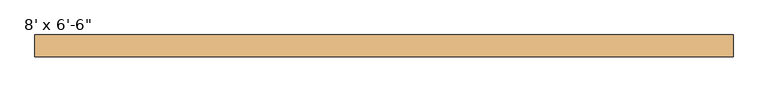
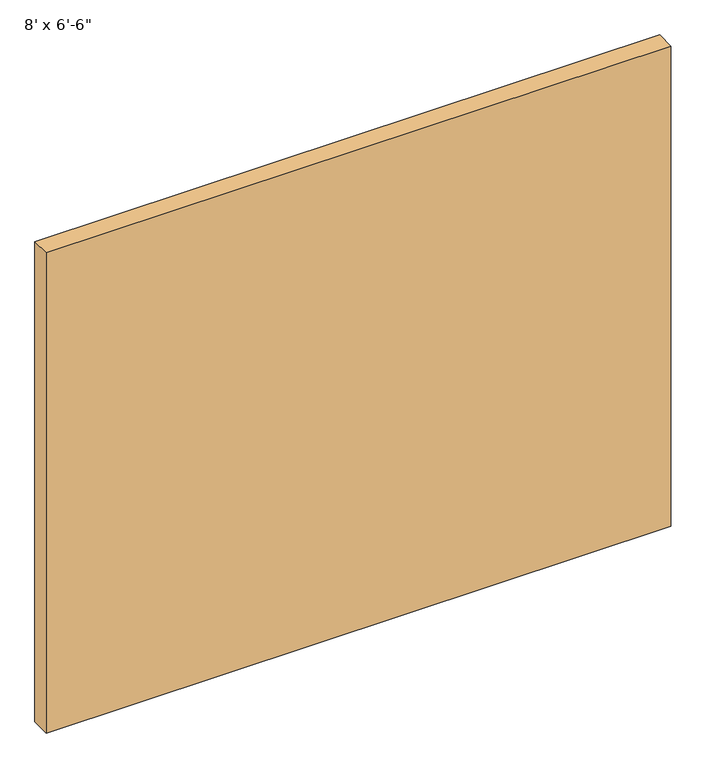
"""IFC4 building model written with IfcOpenShell, lengths in millimetres: door geometry."""

from ifc_helpers import new_model, si_unit, origin, origin_with_axes, place, context, project, spatial, polyline, outline, extrude, source, transform, mapped, element, save


def door_d27ea1db(model_context):
    return source(origin(), model_context, "Body", "SweptSolid", [
        extrude(outline(polyline([(1219.2, -104.775), (1219.2, -180.975), (-1219.2, -180.975), (-1219.2, -104.775), (1219.2, -104.775)])), origin_with_axes(), (0.0, 0.0, 1.0), 1981.2),
    ])


if __name__ == "__main__":
    model = new_model("IFC4")
    model_context = context("Model", 3, world=origin())
    ifc_project = project(units=[si_unit("LENGTHUNIT", "METRE", prefix="MILLI")], contexts=[model_context])
    site = spatial("IfcSite", under=ifc_project)
    building = spatial("IfcBuilding", under=site)
    placement = place(None, origin())
    door_shape = door_d27ea1db(model_context)
    element("IfcDoor", 1, ObjectType="8' x 6'-6\"", at=placement, inside=building, context=model_context, shape_type="MappedRepresentation", body=[
        mapped(door_shape, transform((0.0, 0.0, 0.0), x_axis=(1.0, 0.0, 0.0), y_axis=(0.0, 1.0, 0.0), z_axis=(0.0, 0.0, 1.0))),
    ])
    save(model, "model.ifc")
